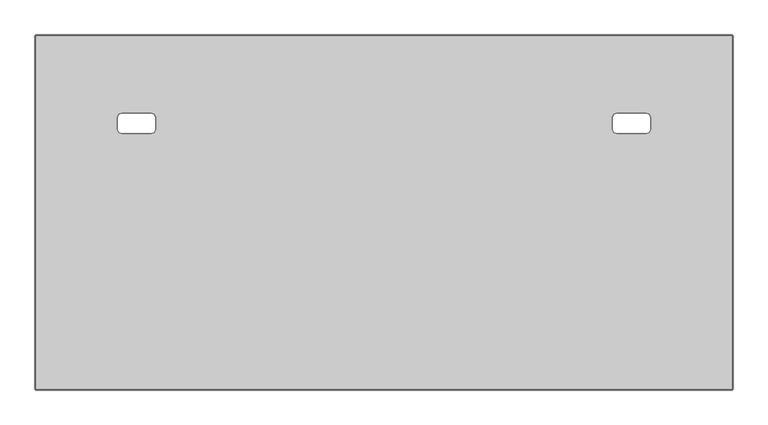
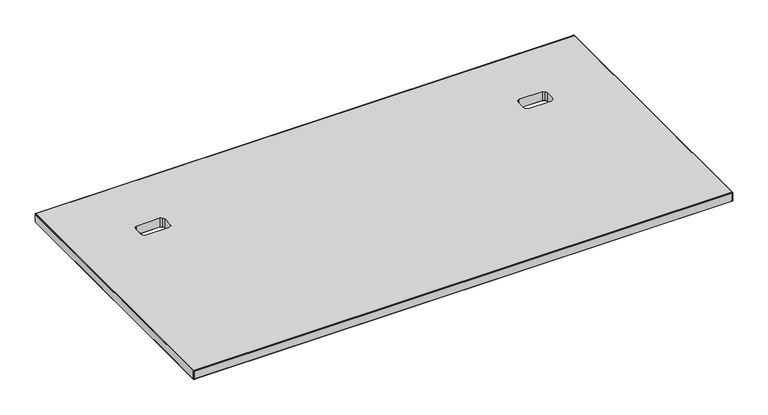
"""IFC4 building model written with IfcOpenShell, lengths in millimetres: furniture geometry."""

import ifcopenshell
import ifcopenshell.guid

model = None  # the IFC model being written
_history = None  # IfcOwnerHistory: only IFC2X3 demands one
_inside = {}  # id of a spatial element -> (the spatial element, [elements in it])
_under = {}  # id of a project, library or spatial element -> (it, [spatial elements below it])
_declared = {}  # id of a project -> (the project, [libraries it declares])
_typed = {}  # id of a type object -> (the type object, [elements of that type])
_made_of = {}  # id of a material, layer set ... -> (it, [elements and type objects made of it])


def new_model(schema):
    """Start an empty IFC model of exactly this schema.

    Asked for "IFC4X3", IfcOpenShell would pick the latest addendum, in which some entities
    have other attributes; the version numbers below select the first issue.
    IFC2X3 requires an IfcOwnerHistory on every rooted entity: one is made here for all.
    """
    global model, _history
    if schema == "IFC4X3":
        model = ifcopenshell.file(schema_version=(4, 3, 0, 0))
    else:
        model = ifcopenshell.file(schema=schema)
    _inside.clear()
    _under.clear()
    _declared.clear()
    _typed.clear()
    _made_of.clear()
    _history = None
    if model.schema == "IFC2X3":
        org = make("IfcOrganization", Name="unknown")
        user = make(
            "IfcPersonAndOrganization",
            ThePerson=make("IfcPerson", FamilyName="unknown"),
            TheOrganization=org,
        )
        app = make(
            "IfcApplication",
            ApplicationDeveloper=org,
            Version="unknown",
            ApplicationFullName="unknown",
            ApplicationIdentifier="unknown",
        )
        _history = make(
            "IfcOwnerHistory",
            OwningUser=user,
            OwningApplication=app,
            ChangeAction="ADDED",
            CreationDate=0,
        )
    return model


def make(cls, **values):
    """One entity of the class cls with the attributes given. An attribute that is None is left unset."""
    return model.create_entity(
        cls, **{name: value for name, value in values.items() if value is not None}
    )


def rooted(cls, **values):
    """An entity with a GlobalId (a new one), such as an element, a storey or a relation."""
    return make(cls, GlobalId=ifcopenshell.guid.new(), OwnerHistory=_history, **values)


def si_unit(unit_type, name, prefix=None):
    """IfcSIUnit, for example si_unit("LENGTHUNIT", "METRE", prefix="MILLI")."""
    return make("IfcSIUnit", UnitType=unit_type, Prefix=prefix, Name=name)


def assignment(units):
    """IfcUnitAssignment: the units of a project."""
    return None if units is None else make("IfcUnitAssignment", Units=units)


def point(xyz):
    """IfcCartesianPoint."""
    return None if xyz is None else make("IfcCartesianPoint", Coordinates=xyz)


def direction(xyz):
    """IfcDirection."""
    return None if xyz is None else make("IfcDirection", DirectionRatios=xyz)


def frame(location, z_axis=None, x_axis=None):
    """IfcAxis2Placement3D, a coordinate frame: its origin and axes. An axis left out is left unset."""
    return make(
        "IfcAxis2Placement3D",
        Location=point(location),
        Axis=direction(z_axis),
        RefDirection=direction(x_axis),
    )


def origin():
    """The frame at (0, 0, 0) with its axes left unset."""
    return frame((0.0, 0.0, 0.0))


def place(relative_to, where):
    """IfcLocalPlacement: puts the frame where relative to a parent placement (None: the world)."""
    return make(
        "IfcLocalPlacement", PlacementRelTo=relative_to, RelativePlacement=where
    )


def context(
    kind, dimensions, precision=None, world=None, true_north=None, identifier=None
):
    """IfcGeometricRepresentationContext, for example the 3D "Model" context."""
    return make(
        "IfcGeometricRepresentationContext",
        ContextIdentifier=identifier,
        ContextType=kind,
        CoordinateSpaceDimension=dimensions,
        Precision=precision,
        WorldCoordinateSystem=world,
        TrueNorth=true_north,
    )


def project(units=None, contexts=None):
    """IfcProject with its units and contexts."""
    return rooted(
        "IfcProject",
        Name="project",
        RepresentationContexts=contexts,
        UnitsInContext=assignment(units),
    )


def spatial(cls, under=None, at=None, **own):
    """A site, building, storey or space (cls), placed at a placement, below another one or the project."""
    s = rooted(cls, ObjectPlacement=at, **own)
    if under is not None:
        _under.setdefault(under.id(), (under, []))[1].append(s)
    return s


def point_list(points):
    """IfcCartesianPointList2D or 3D."""
    cls = (
        "IfcCartesianPointList2D" if len(points[0]) == 2 else "IfcCartesianPointList3D"
    )
    return make(cls, CoordList=points)


def triangles(points, corners, closed=None, point_numbers=None):
    """IfcTriangulatedFaceSet: each triangle names its three corners, points numbered from 1."""
    return make(
        "IfcTriangulatedFaceSet",
        Coordinates=point_list(points),
        Closed=closed,
        CoordIndex=corners,
        PnIndex=point_numbers,
    )


def shape(context_of_items, identifier, shape_type, items):
    """IfcShapeRepresentation: the items that make up one representation, for example the "Body"."""
    return make(
        "IfcShapeRepresentation",
        ContextOfItems=context_of_items,
        RepresentationIdentifier=identifier,
        RepresentationType=shape_type,
        Items=items,
    )


def source(mapping_origin, context_of_items, identifier, shape_type, items):
    """IfcRepresentationMap: a shape defined once, which mapped items show again and again."""
    return make(
        "IfcRepresentationMap",
        MappingOrigin=mapping_origin,
        MappedRepresentation=shape(context_of_items, identifier, shape_type, items),
    )


def transform(
    local_origin,
    x_axis=None,
    y_axis=None,
    z_axis=None,
    scale=None,
    scale2=None,
    scale3=None,
    uniform=True,
):
    """IfcCartesianTransformationOperator3D, or its non-uniform kind. x_axis, y_axis, z_axis: its Axis1, 2, 3."""
    if uniform:
        return make(
            "IfcCartesianTransformationOperator3D",
            Axis1=direction(x_axis),
            Axis2=direction(y_axis),
            LocalOrigin=point(local_origin),
            Scale=scale,
            Axis3=direction(z_axis),
        )
    return make(
        "IfcCartesianTransformationOperator3DnonUniform",
        Axis1=direction(x_axis),
        Axis2=direction(y_axis),
        LocalOrigin=point(local_origin),
        Scale=scale,
        Axis3=direction(z_axis),
        Scale2=scale2,
        Scale3=scale3,
    )


def mapped(mapping_source, mapping_target):
    """IfcMappedItem: shows the shape of a source again, moved by a transform."""
    return make(
        "IfcMappedItem", MappingSource=mapping_source, MappingTarget=mapping_target
    )


def made_of(thing, what):
    """Note that an element or type object is made of a material, layer set ...; save() writes the relation."""
    if what is not None:
        _made_of.setdefault(what.id(), (what, []))[1].append(thing)
    return thing


def element(
    cls,
    number,
    at=None,
    inside=None,
    cuts=None,
    type_object=None,
    material=None,
    context=None,
    identifier="Body",
    shape_type=None,
    held_by="IfcProductDefinitionShape",
    body=None,
    shapes=None,
    **own,
):
    """One element of the class cls, such as IfcWall. Its Tag is "e" and its number.

    at: its placement. inside: the storey or other place that contains it. cuts: it is an
    opening in that element (IfcRelVoidsElement). A single representation is given by context,
    identifier, shape_type and body (its items); several are given by shapes. held_by: the class
    of the entity that holds the representations. save() writes the other relations.
    """
    e = rooted(cls, Tag="e%d" % number, ObjectPlacement=at, **own)
    if body is not None:
        shapes = [shape(context, identifier, shape_type, body)]
    if shapes is not None:
        e.Representation = make(held_by, Representations=shapes)
    if inside is not None:
        _inside.setdefault(inside.id(), (inside, []))[1].append(e)
    if cuts is not None:
        rooted(
            "IfcRelVoidsElement", RelatingBuildingElement=cuts, RelatedOpeningElement=e
        )
    if type_object is not None:
        _typed.setdefault(type_object.id(), (type_object, []))[1].append(e)
    return made_of(e, material)


def aggregate(whole, parts):
    """IfcRelAggregates: a whole, such as a stair, and the parts it consists of."""
    return rooted("IfcRelAggregates", RelatingObject=whole, RelatedObjects=parts)


def save(model, path):
    """Write the relations noted so far, then the file.

    IfcRelAggregates (storeys below a building ...), IfcRelContainedInSpatialStructure (elements
    in a storey), IfcRelDefinesByType, IfcRelAssociatesMaterial and IfcRelDeclares: one each for
    every whole, place, type object, material and project.
    """
    for whole, parts in _under.values():
        aggregate(whole, parts)
    for where, things in _inside.values():
        rooted(
            "IfcRelContainedInSpatialStructure",
            RelatedElements=things,
            RelatingStructure=where,
        )
    for kind, things in _typed.values():
        rooted("IfcRelDefinesByType", RelatedObjects=things, RelatingType=kind)
    for what, things in _made_of.values():
        rooted("IfcRelAssociatesMaterial", RelatedObjects=things, RelatingMaterial=what)
    for by, libraries in _declared.values():
        rooted("IfcRelDeclares", RelatingContext=by, RelatedDefinitions=libraries)
    model.write(path)


def furniture_7ce02e9c(model_context):
    return source(origin(), model_context, "Body", "Tessellation", [
        triangles([(254.3709924, -267.0343909, 738.1239864), (2.634996, -824.6684132, 738.1239864), (1521.3504524, -824.6684132, 738.1239864), (1269.6143646, -267.0343909, 738.1239864), (263.9009884, -257.5043949, 738.1239864), (1260.0844231, -257.5043949, 738.1239864), (1262.8756771, -264.2431187, 738.1239864), (261.1097162, -264.2431187, 738.1239864), (263.9009884, -231.098394, 738.1239864), (1260.0844231, -231.098394, 738.1239864), (189.8649915, -267.0343909, 738.1239864), (183.1262677, -264.2431187, 738.1239864), (180.3349955, -257.5043949, 738.1239864), (2.634996, -52.9523956, 738.1239864), (180.3349955, -231.098394, 738.1239864), (1262.8756771, -224.3596702, 738.1239864), (261.1097162, -224.3596702, 738.1239864), (1269.6143646, -221.568398, 738.1239864), (254.3709924, -221.568398, 738.1239864), (183.1262677, -224.3596702, 738.1239864), (189.8649915, -221.568398, 738.1239864), (1521.3504524, -52.9523956, 738.1239864), (1334.1204563, -267.0343909, 738.1239864), (1340.8591438, -264.2431187, 738.1239864), (1343.6503979, -257.5043949, 738.1239864), (1343.6503979, -231.098394, 738.1239864), (1340.8591438, -224.3596702, 738.1239864), (1334.1204563, -221.568398, 738.1239864), (1269.6143646, -267.0343909, 711.1999758), (1521.3504524, -824.6684132, 711.1999758), (2.634996, -824.6684132, 711.1999758), (254.3709924, -267.0343909, 711.1999758), (261.1097162, -264.2431187, 711.1999758), (1262.8756771, -264.2431187, 711.1999758), (1260.0844231, -257.5043949, 711.1999758), (263.9009884, -257.5043949, 711.1999758), (1260.0844231, -231.098394, 711.1999758), (263.9009884, -231.098394, 711.1999758), (189.8649915, -267.0343909, 711.1999758), (183.1262677, -264.2431187, 711.1999758), (180.3349955, -257.5043949, 711.1999758), (180.3349955, -231.098394, 711.1999758), (2.634996, -52.9523956, 711.1999758), (261.1097162, -224.3596702, 711.1999758), (1262.8756771, -224.3596702, 711.1999758), (254.3709924, -221.568398, 711.1999758), (1269.6143646, -221.568398, 711.1999758), (183.1262677, -224.3596702, 711.1999758), (189.8649915, -221.568398, 711.1999758), (1521.3504524, -52.9523956, 711.1999758), (1334.1204563, -267.0343909, 711.1999758), (1340.8591438, -264.2431187, 711.1999758), (1343.6503979, -257.5043949, 711.1999758), (1343.6503979, -231.098394, 711.1999758), (1340.8591438, -224.3596702, 711.1999758), (1334.1204563, -221.568398, 711.1999758)], [[1, 2, 3], [1, 3, 4], [5, 6, 7], [5, 7, 8], [8, 7, 4], [8, 4, 1], [9, 5, 6], [9, 6, 10], [11, 2, 1], [12, 2, 11], [13, 2, 12], [14, 2, 13], [14, 13, 15], [9, 10, 16], [9, 16, 17], [17, 16, 18], [17, 18, 19], [14, 15, 20], [14, 20, 21], [14, 19, 18], [14, 18, 22], [14, 21, 19], [23, 4, 3], [24, 23, 3], [25, 24, 3], [26, 25, 3], [26, 3, 22], [22, 27, 26], [22, 28, 27], [22, 18, 28], [29, 30, 31], [29, 31, 32], [33, 34, 35], [33, 35, 36], [32, 29, 34], [32, 34, 33], [37, 35, 36], [37, 36, 38], [39, 32, 31], [40, 39, 31], [41, 40, 31], [42, 41, 43], [41, 31, 43], [44, 45, 37], [44, 37, 38], [46, 47, 45], [46, 45, 44], [43, 48, 42], [43, 49, 48], [50, 47, 46], [50, 46, 43], [43, 46, 49], [51, 30, 29], [52, 30, 51], [53, 30, 52], [50, 30, 53], [50, 53, 54], [50, 54, 55], [50, 55, 56], [50, 56, 47]], closed=False),
        triangles([(0.634996, -824.6684132, 736.1240358), (1.2207825, -826.0826437, 736.1240358), (1.634996, -825.6684248, 737.5381937), (1.2207825, -824.6684132, 737.5381937), (2.634996, -824.6684132, 738.1239864), (2.634996, -826.0826437, 737.5381937), (2.634996, -826.6683638, 736.1240358), (0.634996, -824.6684132, 713.199999), (1.2207825, -826.0826437, 713.199999), (2.634996, -826.6683638, 713.199999), (0.634996, -52.9523956, 736.1240358), (1.2207825, -51.5381832, 736.1240358), (1.634996, -51.9523976, 737.5381937), (1.2207825, -52.9523956, 737.5381937), (2.634996, -52.9523956, 738.1239864), (2.634996, -51.5381832, 737.5381937), (2.634996, -50.952395, 736.1240358), (0.634996, -52.9523956, 713.199999), (1.2207825, -51.5381832, 713.199999), (2.634996, -50.952395, 713.199999), (1523.3650097, -824.6684132, 736.1240358), (1522.7791443, -826.0826437, 736.1240358), (1522.3649254, -825.6684248, 737.5381937), (1522.7791443, -824.6684132, 737.5381937), (1521.3649864, -824.6684132, 738.1239864), (1521.3649864, -826.0826437, 737.5381937), (1521.3649864, -826.6683638, 736.1240358), (1523.3650097, -824.6684132, 713.199999), (1522.7791443, -826.0826437, 713.199999), (1521.3649864, -826.6683638, 713.199999), (1523.3650097, -52.9523956, 736.1240358), (1522.7791443, -51.5381832, 736.1240358), (1522.7791443, -52.9523956, 737.5381937), (1522.3649254, -51.9523976, 737.5381937), (1521.3649864, -52.9523956, 738.1239864), (1521.3649864, -51.5381832, 737.5381937), (1521.3649864, -50.952395, 736.1240358), (1523.3650097, -52.9523956, 713.199999), (1522.7791443, -51.5381832, 713.199999), (1521.3649864, -50.952395, 713.199999), (1.634996, -825.6684248, 711.7857685), (1.2207825, -824.6684132, 711.7857685), (2.634996, -824.6684132, 711.1999758), (2.634996, -826.0826437, 711.7857685), (1.634996, -51.9523976, 711.7857685), (1.2207825, -52.9523956, 711.7857685), (2.634996, -52.9523956, 711.1999758), (2.634996, -51.5381832, 711.7857685), (1522.3649254, -825.6684248, 711.7857685), (1522.7791443, -824.6684132, 711.7857685), (1521.3649864, -824.6684132, 711.1999758), (1521.3649864, -826.0826437, 711.7857685), (1522.3649254, -51.9523976, 711.7857685), (1522.7791443, -52.9523956, 711.7857685), (1521.3649864, -52.9523956, 711.1999758), (1521.3649864, -51.5381832, 711.7857685), (189.8649915, -221.568398, 738.1239864), (189.8649915, -221.568398, 711.1999758), (254.3709924, -221.568398, 738.1239864), (254.3709924, -221.568398, 711.1999758), (180.3349955, -257.5043949, 738.1239864), (180.3349955, -257.5043949, 711.1999758), (180.3349955, -231.098394, 711.1999758), (180.3349955, -231.098394, 738.1239864), (254.3709924, -267.0343909, 738.1239864), (254.3709924, -267.0343909, 711.1999758), (189.8649915, -267.0343909, 711.1999758), (189.8649915, -267.0343909, 738.1239864), (263.9009884, -231.098394, 738.1239864), (263.9009884, -231.098394, 711.1999758), (263.9009884, -257.5043949, 738.1239864), (263.9009884, -257.5043949, 711.1999758), (1269.6143646, -221.568398, 738.1239864), (1269.6143646, -221.568398, 711.1999758), (1334.1204563, -221.568398, 738.1239864), (1334.1204563, -221.568398, 711.1999758), (1343.6503979, -231.098394, 738.1239864), (1343.6503979, -231.098394, 711.1999758), (1343.6503979, -257.5043949, 738.1239864), (1343.6503979, -257.5043949, 711.1999758), (1334.1204563, -267.0343909, 738.1239864), (1334.1204563, -267.0343909, 711.1999758), (1269.6143646, -267.0343909, 711.1999758), (1269.6143646, -267.0343909, 738.1239864), (1260.0844231, -257.5043949, 738.1239864), (1260.0844231, -257.5043949, 711.1999758), (1260.0844231, -231.098394, 711.1999758), (1260.0844231, -231.098394, 738.1239864), (1262.8756771, -264.2431187, 711.1999758), (1262.8756771, -264.2431187, 738.1239864), (1340.8591438, -224.3596702, 711.1999758), (1340.8591438, -224.3596702, 738.1239864), (1340.8591438, -264.2431187, 711.1999758), (1340.8591438, -264.2431187, 738.1239864), (1262.8756771, -224.3596702, 738.1239864), (1262.8756771, -224.3596702, 711.1999758), (261.1097162, -264.2431187, 738.1239864), (261.1097162, -264.2431187, 711.1999758), (183.1262677, -224.3596702, 711.1999758), (183.1262677, -224.3596702, 738.1239864), (183.1262677, -264.2431187, 711.1999758), (183.1262677, -264.2431187, 738.1239864), (261.1097162, -224.3596702, 711.1999758), (261.1097162, -224.3596702, 738.1239864)], [[1, 2, 3], [1, 3, 4], [4, 3, 5], [5, 6, 3], [3, 6, 2], [6, 7, 2], [1, 8, 9], [1, 9, 2], [2, 9, 10], [2, 10, 7], [11, 12, 13], [11, 13, 14], [14, 13, 15], [15, 16, 13], [13, 16, 12], [16, 17, 12], [11, 18, 19], [11, 19, 12], [12, 19, 20], [12, 20, 17], [21, 22, 23], [21, 23, 24], [24, 23, 25], [25, 26, 23], [23, 26, 27], [23, 27, 22], [21, 28, 29], [21, 29, 22], [22, 29, 30], [22, 30, 27], [31, 32, 33], [32, 34, 33], [33, 34, 35], [35, 36, 34], [34, 36, 37], [34, 37, 32], [31, 38, 39], [31, 39, 32], [32, 39, 40], [32, 40, 37], [5, 25, 26], [5, 26, 6], [6, 26, 27], [6, 27, 7], [15, 5, 4], [15, 4, 14], [14, 4, 1], [14, 1, 11], [35, 15, 16], [35, 16, 36], [36, 16, 17], [36, 17, 37], [25, 35, 33], [25, 33, 24], [24, 33, 31], [24, 31, 21], [7, 10, 30], [7, 30, 27], [21, 28, 38], [21, 38, 31], [11, 18, 8], [11, 8, 1], [37, 40, 20], [37, 20, 17], [8, 9, 41], [8, 41, 42], [42, 41, 43], [43, 44, 41], [41, 44, 10], [41, 10, 9], [18, 19, 45], [18, 45, 46], [46, 45, 47], [47, 48, 45], [45, 48, 20], [45, 20, 19], [28, 29, 49], [28, 49, 50], [50, 49, 51], [51, 52, 49], [49, 52, 29], [52, 30, 29], [38, 39, 53], [38, 53, 54], [54, 53, 55], [55, 56, 53], [53, 56, 39], [56, 40, 39], [43, 51, 52], [43, 52, 44], [44, 52, 30], [44, 30, 10], [47, 43, 42], [47, 42, 46], [46, 42, 8], [46, 8, 18], [55, 47, 48], [55, 48, 56], [56, 48, 20], [56, 20, 40], [51, 55, 54], [51, 54, 50], [50, 54, 38], [50, 38, 28], [57, 58, 59], [58, 60, 59], [61, 62, 63], [61, 63, 64], [65, 66, 67], [65, 67, 68], [69, 70, 71], [70, 72, 71], [73, 74, 75], [74, 76, 75], [77, 78, 79], [78, 80, 79], [81, 82, 83], [81, 83, 84], [85, 86, 87], [85, 87, 88], [85, 86, 89], [85, 89, 90], [90, 89, 83], [90, 83, 84], [77, 78, 91], [77, 91, 92], [92, 91, 76], [92, 76, 75], [81, 82, 93], [81, 93, 94], [94, 93, 80], [94, 80, 79], [87, 88, 95], [87, 95, 96], [96, 95, 73], [96, 73, 74], [71, 72, 97], [72, 98, 97], [97, 98, 66], [97, 66, 65], [64, 63, 99], [64, 99, 100], [100, 99, 57], [99, 58, 57], [68, 67, 101], [68, 101, 102], [102, 101, 62], [102, 62, 61], [70, 69, 103], [69, 104, 103], [103, 104, 60], [104, 59, 60]], closed=False),
    ])


if __name__ == "__main__":
    model = new_model("IFC4")
    model_context = context("Model", 3, world=origin())
    ifc_project = project(units=[si_unit("LENGTHUNIT", "METRE", prefix="MILLI")], contexts=[model_context])
    site = spatial("IfcSite", under=ifc_project)
    building = spatial("IfcBuilding", under=site)
    placement = place(None, origin())
    furniture_shape = furniture_7ce02e9c(model_context)
    element("IfcFurniture", 1, at=placement, inside=building, context=model_context, shape_type="MappedRepresentation", body=[
        mapped(furniture_shape, transform((0.0, 0.0, 0.0), x_axis=(1.0, 0.0, 0.0), y_axis=(0.0, 1.0, 0.0), z_axis=(0.0, 0.0, 1.0))),
    ])
    save(model, "model.ifc")
